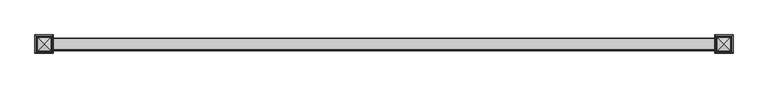
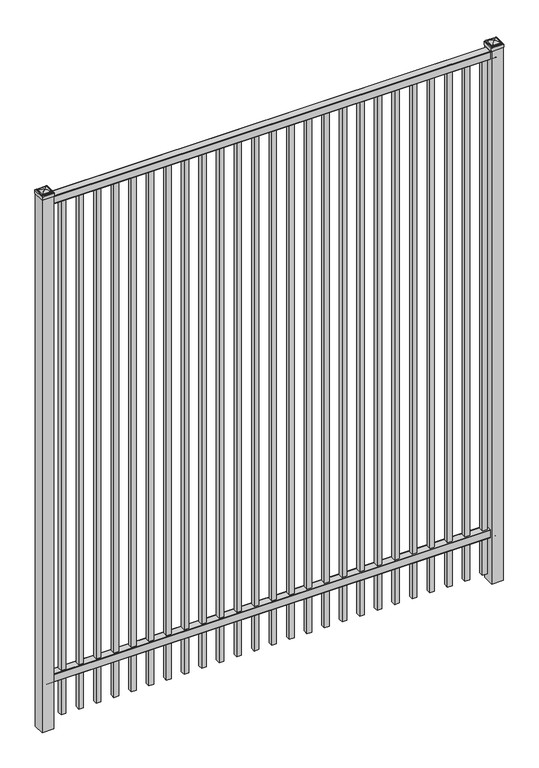
"""IFC4 building model written with IfcOpenShell, lengths in millimetres: railing geometry."""

import ifcopenshell
import ifcopenshell.guid

model = None  # the IFC model being written
_history = None  # IfcOwnerHistory: only IFC2X3 demands one
_inside = {}  # id of a spatial element -> (the spatial element, [elements in it])
_under = {}  # id of a project, library or spatial element -> (it, [spatial elements below it])
_declared = {}  # id of a project -> (the project, [libraries it declares])
_typed = {}  # id of a type object -> (the type object, [elements of that type])
_made_of = {}  # id of a material, layer set ... -> (it, [elements and type objects made of it])


def new_model(schema):
    """Start an empty IFC model of exactly this schema.

    Asked for "IFC4X3", IfcOpenShell would pick the latest addendum, in which some entities
    have other attributes; the version numbers below select the first issue.
    IFC2X3 requires an IfcOwnerHistory on every rooted entity: one is made here for all.
    """
    global model, _history
    if schema == "IFC4X3":
        model = ifcopenshell.file(schema_version=(4, 3, 0, 0))
    else:
        model = ifcopenshell.file(schema=schema)
    _inside.clear()
    _under.clear()
    _declared.clear()
    _typed.clear()
    _made_of.clear()
    _history = None
    if model.schema == "IFC2X3":
        org = make("IfcOrganization", Name="unknown")
        user = make(
            "IfcPersonAndOrganization",
            ThePerson=make("IfcPerson", FamilyName="unknown"),
            TheOrganization=org,
        )
        app = make(
            "IfcApplication",
            ApplicationDeveloper=org,
            Version="unknown",
            ApplicationFullName="unknown",
            ApplicationIdentifier="unknown",
        )
        _history = make(
            "IfcOwnerHistory",
            OwningUser=user,
            OwningApplication=app,
            ChangeAction="ADDED",
            CreationDate=0,
        )
    return model


def make(cls, **values):
    """One entity of the class cls with the attributes given. An attribute that is None is left unset."""
    return model.create_entity(
        cls, **{name: value for name, value in values.items() if value is not None}
    )


def rooted(cls, **values):
    """An entity with a GlobalId (a new one), such as an element, a storey or a relation."""
    return make(cls, GlobalId=ifcopenshell.guid.new(), OwnerHistory=_history, **values)


def si_unit(unit_type, name, prefix=None):
    """IfcSIUnit, for example si_unit("LENGTHUNIT", "METRE", prefix="MILLI")."""
    return make("IfcSIUnit", UnitType=unit_type, Prefix=prefix, Name=name)


def assignment(units):
    """IfcUnitAssignment: the units of a project."""
    return None if units is None else make("IfcUnitAssignment", Units=units)


def point(xyz):
    """IfcCartesianPoint."""
    return None if xyz is None else make("IfcCartesianPoint", Coordinates=xyz)


def direction(xyz):
    """IfcDirection."""
    return None if xyz is None else make("IfcDirection", DirectionRatios=xyz)


def frame(location, z_axis=None, x_axis=None):
    """IfcAxis2Placement3D, a coordinate frame: its origin and axes. An axis left out is left unset."""
    return make(
        "IfcAxis2Placement3D",
        Location=point(location),
        Axis=direction(z_axis),
        RefDirection=direction(x_axis),
    )


def frame_2d(location, x_axis=None):
    """IfcAxis2Placement2D, a coordinate frame in the plane: its origin and x axis."""
    return make(
        "IfcAxis2Placement2D", Location=point(location), RefDirection=direction(x_axis)
    )


def origin():
    """The frame at (0, 0, 0) with its axes left unset."""
    return frame((0.0, 0.0, 0.0))


def origin_with_axes():
    """The frame at (0, 0, 0) with the z axis (0, 0, 1) and the x axis (1, 0, 0) written out."""
    return frame((0.0, 0.0, 0.0), z_axis=(0.0, 0.0, 1.0), x_axis=(1.0, 0.0, 0.0))


def place(relative_to, where):
    """IfcLocalPlacement: puts the frame where relative to a parent placement (None: the world)."""
    return make(
        "IfcLocalPlacement", PlacementRelTo=relative_to, RelativePlacement=where
    )


def context(
    kind, dimensions, precision=None, world=None, true_north=None, identifier=None
):
    """IfcGeometricRepresentationContext, for example the 3D "Model" context."""
    return make(
        "IfcGeometricRepresentationContext",
        ContextIdentifier=identifier,
        ContextType=kind,
        CoordinateSpaceDimension=dimensions,
        Precision=precision,
        WorldCoordinateSystem=world,
        TrueNorth=true_north,
    )


def project(units=None, contexts=None):
    """IfcProject with its units and contexts."""
    return rooted(
        "IfcProject",
        Name="project",
        RepresentationContexts=contexts,
        UnitsInContext=assignment(units),
    )


def spatial(cls, under=None, at=None, **own):
    """A site, building, storey or space (cls), placed at a placement, below another one or the project."""
    s = rooted(cls, ObjectPlacement=at, **own)
    if under is not None:
        _under.setdefault(under.id(), (under, []))[1].append(s)
    return s


def polyline(points):
    """IfcPolyline through the points."""
    return make("IfcPolyline", Points=[point(p) for p in points])


def circle_curve(where, radius):
    """IfcCircle in the frame where."""
    return make("IfcCircle", Position=where, Radius=radius)


def ellipse_curve(where, semi_axis1, semi_axis2):
    """IfcEllipse in the frame where."""
    return make(
        "IfcEllipse", Position=where, SemiAxis1=semi_axis1, SemiAxis2=semi_axis2
    )


def trimmed(basis, trim1, trim2, sense, master):
    """IfcTrimmedCurve: the piece of a basis curve between two trims."""
    return make(
        "IfcTrimmedCurve",
        BasisCurve=basis,
        Trim1=trim1,
        Trim2=trim2,
        SenseAgreement=sense,
        MasterRepresentation=master,
    )


def segment(curve, same_sense, transition):
    """IfcCompositeCurveSegment."""
    return make(
        "IfcCompositeCurveSegment",
        Transition=transition,
        SameSense=same_sense,
        ParentCurve=curve,
    )


def composite_curve(segments, self_intersect=None):
    """IfcCompositeCurve: segments joined end to end."""
    return make("IfcCompositeCurve", Segments=segments, SelfIntersect=self_intersect)


def outline(outer, holes=None, kind="AREA"):
    """IfcArbitraryClosedProfileDef: a profile drawn as a closed curve; with holes, ...WithVoids."""
    if holes is None:
        return make("IfcArbitraryClosedProfileDef", ProfileType=kind, OuterCurve=outer)
    return make(
        "IfcArbitraryProfileDefWithVoids",
        ProfileType=kind,
        OuterCurve=outer,
        InnerCurves=holes,
    )


def extrude(swept, where, along, depth):
    """IfcExtrudedAreaSolid: the profile swept, set in the frame where, extruded along a direction by depth."""
    return make(
        "IfcExtrudedAreaSolid",
        SweptArea=swept,
        Position=where,
        ExtrudedDirection=direction(along),
        Depth=depth,
    )


def shape(context_of_items, identifier, shape_type, items):
    """IfcShapeRepresentation: the items that make up one representation, for example the "Body"."""
    return make(
        "IfcShapeRepresentation",
        ContextOfItems=context_of_items,
        RepresentationIdentifier=identifier,
        RepresentationType=shape_type,
        Items=items,
    )


def source(mapping_origin, context_of_items, identifier, shape_type, items):
    """IfcRepresentationMap: a shape defined once, which mapped items show again and again."""
    return make(
        "IfcRepresentationMap",
        MappingOrigin=mapping_origin,
        MappedRepresentation=shape(context_of_items, identifier, shape_type, items),
    )


def transform(
    local_origin,
    x_axis=None,
    y_axis=None,
    z_axis=None,
    scale=None,
    scale2=None,
    scale3=None,
    uniform=True,
):
    """IfcCartesianTransformationOperator3D, or its non-uniform kind. x_axis, y_axis, z_axis: its Axis1, 2, 3."""
    if uniform:
        return make(
            "IfcCartesianTransformationOperator3D",
            Axis1=direction(x_axis),
            Axis2=direction(y_axis),
            LocalOrigin=point(local_origin),
            Scale=scale,
            Axis3=direction(z_axis),
        )
    return make(
        "IfcCartesianTransformationOperator3DnonUniform",
        Axis1=direction(x_axis),
        Axis2=direction(y_axis),
        LocalOrigin=point(local_origin),
        Scale=scale,
        Axis3=direction(z_axis),
        Scale2=scale2,
        Scale3=scale3,
    )


def mapped(mapping_source, mapping_target):
    """IfcMappedItem: shows the shape of a source again, moved by a transform."""
    return make(
        "IfcMappedItem", MappingSource=mapping_source, MappingTarget=mapping_target
    )


def made_of(thing, what):
    """Note that an element or type object is made of a material, layer set ...; save() writes the relation."""
    if what is not None:
        _made_of.setdefault(what.id(), (what, []))[1].append(thing)
    return thing


def element(
    cls,
    number,
    at=None,
    inside=None,
    cuts=None,
    type_object=None,
    material=None,
    context=None,
    identifier="Body",
    shape_type=None,
    held_by="IfcProductDefinitionShape",
    body=None,
    shapes=None,
    **own,
):
    """One element of the class cls, such as IfcWall. Its Tag is "e" and its number.

    at: its placement. inside: the storey or other place that contains it. cuts: it is an
    opening in that element (IfcRelVoidsElement). A single representation is given by context,
    identifier, shape_type and body (its items); several are given by shapes. held_by: the class
    of the entity that holds the representations. save() writes the other relations.
    """
    e = rooted(cls, Tag="e%d" % number, ObjectPlacement=at, **own)
    if body is not None:
        shapes = [shape(context, identifier, shape_type, body)]
    if shapes is not None:
        e.Representation = make(held_by, Representations=shapes)
    if inside is not None:
        _inside.setdefault(inside.id(), (inside, []))[1].append(e)
    if cuts is not None:
        rooted(
            "IfcRelVoidsElement", RelatingBuildingElement=cuts, RelatedOpeningElement=e
        )
    if type_object is not None:
        _typed.setdefault(type_object.id(), (type_object, []))[1].append(e)
    return made_of(e, material)


def aggregate(whole, parts):
    """IfcRelAggregates: a whole, such as a stair, and the parts it consists of."""
    return rooted("IfcRelAggregates", RelatingObject=whole, RelatedObjects=parts)


def save(model, path):
    """Write the relations noted so far, then the file.

    IfcRelAggregates (storeys below a building ...), IfcRelContainedInSpatialStructure (elements
    in a storey), IfcRelDefinesByType, IfcRelAssociatesMaterial and IfcRelDeclares: one each for
    every whole, place, type object, material and project.
    """
    for whole, parts in _under.values():
        aggregate(whole, parts)
    for where, things in _inside.values():
        rooted(
            "IfcRelContainedInSpatialStructure",
            RelatedElements=things,
            RelatingStructure=where,
        )
    for kind, things in _typed.values():
        rooted("IfcRelDefinesByType", RelatedObjects=things, RelatingType=kind)
    for what, things in _made_of.values():
        rooted("IfcRelAssociatesMaterial", RelatedObjects=things, RelatingMaterial=what)
    for by, libraries in _declared.values():
        rooted("IfcRelDeclares", RelatingContext=by, RelatedDefinitions=libraries)
    model.write(path)


def plane_surface(at):
    """IfcPlane: the flat surface through the origin of the frame at, square to its z axis."""
    return make("IfcPlane", Position=at)


def cylinder_surface(at, radius):
    """IfcCylindricalSurface: all points at the distance radius from the z axis of the frame at."""
    return make("IfcCylindricalSurface", Position=at, Radius=radius)


def advanced_brep(points, edges, surfaces, faces):
    """IfcAdvancedBrep: a solid bounded by faces that lie on surfaces and meet in shared edges.

    An edge is (start, end): straight between two places in points (the first is 0);
    or (start, end, curve); or (start, end, curve, False) where it runs against its curve.
    A face is (place in surfaces, loops), or (place, loops, False) where it looks against
    its surface's normal. A loop lists edges by number (the first is 1), with a minus sign
    where the edge is run from its end to its start. The first loop is the outer one.
    """
    corners = [point(p) for p in points]
    vertices = [make("IfcVertexPoint", VertexGeometry=c) for c in corners]
    made = []
    for start, end, *more in edges:
        made.append(
            make(
                "IfcEdgeCurve",
                EdgeStart=vertices[start],
                EdgeEnd=vertices[end],
                EdgeGeometry=more[0] if more else make("IfcPolyline", Points=[corners[start], corners[end]]),
                SameSense=more[1] if len(more) > 1 else True,
            )
        )
    hull = []
    for where, loops, *sense in faces:
        bounds = []
        for j, loop in enumerate(loops):
            ring = [make("IfcOrientedEdge", EdgeElement=made[abs(k) - 1], Orientation=k > 0) for k in loop]
            bounds.append(
                make(
                    "IfcFaceOuterBound" if j == 0 else "IfcFaceBound",
                    Bound=make("IfcEdgeLoop", EdgeList=ring),
                    Orientation=True,
                )
            )
        hull.append(make("IfcAdvancedFace", Bounds=bounds, FaceSurface=surfaces[where], SameSense=sense[0] if sense else True))
    return make("IfcAdvancedBrep", Outer=make("IfcClosedShell", CfsFaces=hull))


def railing_9d7c3945(model_context):
    return source(origin(), model_context, "Body", "SolidModel", [
        extrude(outline(composite_curve([segment(polyline([(4253.9139761, 304.8), (4291.969541, 304.8)]), True, "CONTINUOUS"), segment(trimmed(circle_curve(frame_2d((4291.969541, 301.625)), 3.175), [point((4291.969541, 304.8))], [point((4295.144541, 301.625))], False, "CARTESIAN"), True, "CONTINUOUS"), segment(polyline([(4295.144541, 301.625), (4295.144541, 262.1439893)]), True, "CONTINUOUS"), segment(trimmed(circle_curve(frame_2d((4293.3505518, 262.1439893)), 1.7939893), [point((4295.144541, 262.1439893))], [point((4293.3505518, 260.35))], False, "CARTESIAN"), True, "CONTINUOUS"), segment(polyline([(4293.3505518, 260.35), (4290.7590713, 260.35)]), True, "CONTINUOUS"), segment(trimmed(circle_curve(frame_2d((4290.7590713, 262.1359375)), 1.7859375), [point((4290.7590713, 260.35))], [point((4288.9755813, 262.0424688))], False, "CARTESIAN"), True, "CONTINUOUS"), segment(polyline([(4288.9755813, 262.0424688), (4287.4025867, 292.0569942), (4258.4364954, 292.0569942), (4256.8635007, 262.0424688)]), True, "CONTINUOUS"), segment(trimmed(circle_curve(frame_2d((4255.0800108, 262.1359375)), 1.7859375), [point((4256.8635007, 262.0424688))], [point((4255.0800108, 260.35))], False, "CARTESIAN"), True, "CONTINUOUS"), segment(polyline([(4255.0800108, 260.35), (4252.4804785, 260.35)]), True, "CONTINUOUS"), segment(trimmed(circle_curve(frame_2d((4252.4804785, 262.1359375)), 1.7859375), [point((4252.4804785, 260.35))], [point((4250.694541, 262.1359375))], False, "CARTESIAN"), True, "CONTINUOUS"), segment(polyline([(4250.694541, 262.1359375), (4250.694541, 301.5805649)]), True, "CONTINUOUS"), segment(trimmed(circle_curve(frame_2d((4253.9139761, 301.5805649)), 3.2194351), [point((4250.694541, 301.5805649))], [point((4253.9139761, 304.8))], False, "CARTESIAN"), True, "CONTINUOUS")], self_intersect=False)), frame((-15337.0649936, 0.0, 0.0), z_axis=(1.0, 0.0, 0.0), x_axis=(0.0, 1.0, 0.0)), (0.0, 0.0, 1.0), 2438.4),
        extrude(outline(composite_curve([segment(polyline([(4253.9139761, 3048.0), (4291.969541, 3048.0)]), True, "CONTINUOUS"), segment(trimmed(circle_curve(frame_2d((4291.969541, 3044.825)), 3.175), [point((4291.969541, 3048.0))], [point((4295.144541, 3044.825))], False, "CARTESIAN"), True, "CONTINUOUS"), segment(polyline([(4295.144541, 3044.825), (4295.144541, 3005.3439893)]), True, "CONTINUOUS"), segment(trimmed(circle_curve(frame_2d((4293.3505518, 3005.3439893)), 1.7939893), [point((4295.144541, 3005.3439893))], [point((4293.3505518, 3003.55))], False, "CARTESIAN"), True, "CONTINUOUS"), segment(polyline([(4293.3505518, 3003.55), (4290.7590713, 3003.55)]), True, "CONTINUOUS"), segment(trimmed(circle_curve(frame_2d((4290.7590713, 3005.3359375)), 1.7859375), [point((4290.7590713, 3003.55))], [point((4288.9755813, 3005.2424688))], False, "CARTESIAN"), True, "CONTINUOUS"), segment(polyline([(4288.9755813, 3005.2424688), (4287.4025867, 3035.2569942), (4258.4364954, 3035.2569942), (4256.8635007, 3005.2424688)]), True, "CONTINUOUS"), segment(trimmed(circle_curve(frame_2d((4255.0800108, 3005.3359375)), 1.7859375), [point((4256.8635007, 3005.2424688))], [point((4255.0800108, 3003.55))], False, "CARTESIAN"), True, "CONTINUOUS"), segment(polyline([(4255.0800108, 3003.55), (4252.4804785, 3003.55)]), True, "CONTINUOUS"), segment(trimmed(circle_curve(frame_2d((4252.4804785, 3005.3359375)), 1.7859375), [point((4252.4804785, 3003.55))], [point((4250.694541, 3005.3359375))], False, "CARTESIAN"), True, "CONTINUOUS"), segment(polyline([(4250.694541, 3005.3359375), (4250.694541, 3044.7805649)]), True, "CONTINUOUS"), segment(trimmed(circle_curve(frame_2d((4253.9139761, 3044.7805649)), 3.2194351), [point((4250.694541, 3044.7805649))], [point((4253.9139761, 3048.0))], False, "CARTESIAN"), True, "CONTINUOUS")], self_intersect=False)), frame((-15337.0649936, 0.0, 0.0), z_axis=(1.0, 0.0, 0.0), x_axis=(0.0, 1.0, 0.0)), (0.0, 0.0, 1.0), 2438.4),
        extrude(outline(polyline([(0.0, -2952.75), (0.0, 0.0), (25.4, 0.0), (25.4, -2952.75), (0.0, -2952.75)])), frame((-12943.1149864, 4285.619541, 3003.55), z_axis=(-1.0, 0.0, 1.4053472163766405e-09), x_axis=(0.0, -1.0, 0.0)), (0.0, 0.0, 1.0), 25.4),
        extrude(outline(polyline([(0.0, -2952.75), (0.0, 0.0), (25.4, 0.0), (25.4, -2952.75), (0.0, -2952.75)])), frame((-13038.3649864, 4285.619541, 3003.55), z_axis=(-1.0, 0.0, 1.4053472163766405e-09), x_axis=(0.0, -1.0, 0.0)), (0.0, 0.0, 1.0), 25.4),
        extrude(outline(polyline([(0.0, -2952.75), (0.0, 0.0), (25.4, 0.0), (25.4, -2952.75), (0.0, -2952.75)])), frame((-13133.6149864, 4285.619541, 3003.55), z_axis=(-1.0, 0.0, 1.4053472163766405e-09), x_axis=(0.0, -1.0, 0.0)), (0.0, 0.0, 1.0), 25.4),
        extrude(outline(polyline([(0.0, -2952.75), (0.0, 0.0), (25.4, 0.0), (25.4, -2952.75), (0.0, -2952.75)])), frame((-13228.8649864, 4285.619541, 3003.55), z_axis=(-1.0, 0.0, 1.4053472163766405e-09), x_axis=(0.0, -1.0, 0.0)), (0.0, 0.0, 1.0), 25.4),
        extrude(outline(polyline([(0.0, -2952.75), (0.0, 0.0), (25.4, 0.0), (25.4, -2952.75), (0.0, -2952.75)])), frame((-13324.1149864, 4285.619541, 3003.55), z_axis=(-1.0, 0.0, 1.4053472163766405e-09), x_axis=(0.0, -1.0, 0.0)), (0.0, 0.0, 1.0), 25.4),
        extrude(outline(polyline([(0.0, -2952.75), (0.0, 0.0), (25.4, 0.0), (25.4, -2952.75), (0.0, -2952.75)])), frame((-13419.3649864, 4285.619541, 3003.55), z_axis=(-1.0, 0.0, 1.4053472163766405e-09), x_axis=(0.0, -1.0, 0.0)), (0.0, 0.0, 1.0), 25.4),
        extrude(outline(polyline([(0.0, -2952.75), (0.0, 0.0), (25.4, 0.0), (25.4, -2952.75), (0.0, -2952.75)])), frame((-13514.6149864, 4285.619541, 3003.55), z_axis=(-1.0, 0.0, 1.4053472163766405e-09), x_axis=(0.0, -1.0, 0.0)), (0.0, 0.0, 1.0), 25.4),
        extrude(outline(polyline([(0.0, -2952.75), (0.0, 0.0), (25.4, 0.0), (25.4, -2952.75), (0.0, -2952.75)])), frame((-13609.8649864, 4285.619541, 3003.55), z_axis=(-1.0, 0.0, 1.4053472163766405e-09), x_axis=(0.0, -1.0, 0.0)), (0.0, 0.0, 1.0), 25.4),
        extrude(outline(polyline([(0.0, -2952.75), (0.0, 0.0), (25.4, 0.0), (25.4, -2952.75), (0.0, -2952.75)])), frame((-13705.1149864, 4285.619541, 3003.55), z_axis=(-1.0, 0.0, 1.4053472163766405e-09), x_axis=(0.0, -1.0, 0.0)), (0.0, 0.0, 1.0), 25.4),
        extrude(outline(polyline([(0.0, -2952.75), (0.0, 0.0), (25.4, 0.0), (25.4, -2952.75), (0.0, -2952.75)])), frame((-13800.3649864, 4285.619541, 3003.55), z_axis=(-1.0, 0.0, 1.4053472163766405e-09), x_axis=(0.0, -1.0, 0.0)), (0.0, 0.0, 1.0), 25.4),
        extrude(outline(polyline([(0.0, -2952.75), (0.0, 0.0), (25.4, 0.0), (25.4, -2952.75), (0.0, -2952.75)])), frame((-13895.6149864, 4285.619541, 3003.55), z_axis=(-1.0, 0.0, 1.4053472163766405e-09), x_axis=(0.0, -1.0, 0.0)), (0.0, 0.0, 1.0), 25.4),
        extrude(outline(polyline([(0.0, -2952.75), (0.0, 0.0), (25.4, 0.0), (25.4, -2952.75), (0.0, -2952.75)])), frame((-13990.8649864, 4285.619541, 3003.55), z_axis=(-1.0, 0.0, 1.4053472163766405e-09), x_axis=(0.0, -1.0, 0.0)), (0.0, 0.0, 1.0), 25.4),
        extrude(outline(polyline([(0.0, -2952.75), (0.0, 0.0), (25.4, 0.0), (25.4, -2952.75), (0.0, -2952.75)])), frame((-14086.1149864, 4285.619541, 3003.55), z_axis=(-1.0, 0.0, 1.4053472163766405e-09), x_axis=(0.0, -1.0, 0.0)), (0.0, 0.0, 1.0), 25.4),
        extrude(outline(polyline([(0.0, -2952.75), (0.0, 0.0), (25.4, 0.0), (25.4, -2952.75), (0.0, -2952.75)])), frame((-14181.3649864, 4285.619541, 3003.55), z_axis=(-1.0, 0.0, 1.4053472163766405e-09), x_axis=(0.0, -1.0, 0.0)), (0.0, 0.0, 1.0), 25.4),
        extrude(outline(polyline([(0.0, -2952.75), (0.0, 0.0), (25.4, 0.0), (25.4, -2952.75), (0.0, -2952.75)])), frame((-14276.6149864, 4285.619541, 3003.55), z_axis=(-1.0, 0.0, 1.4053472163766405e-09), x_axis=(0.0, -1.0, 0.0)), (0.0, 0.0, 1.0), 25.4),
        extrude(outline(polyline([(0.0, -2952.75), (0.0, 0.0), (25.4, 0.0), (25.4, -2952.75), (0.0, -2952.75)])), frame((-14371.8649864, 4285.619541, 3003.55), z_axis=(-1.0, 0.0, 1.4053472163766405e-09), x_axis=(0.0, -1.0, 0.0)), (0.0, 0.0, 1.0), 25.4),
        extrude(outline(polyline([(0.0, -2952.75), (0.0, 0.0), (25.4, 0.0), (25.4, -2952.75), (0.0, -2952.75)])), frame((-14467.1149864, 4285.619541, 3003.55), z_axis=(-1.0, 0.0, 1.4053472163766405e-09), x_axis=(0.0, -1.0, 0.0)), (0.0, 0.0, 1.0), 25.4),
        extrude(outline(polyline([(0.0, -2952.75), (0.0, 0.0), (25.4, 0.0), (25.4, -2952.75), (0.0, -2952.75)])), frame((-14562.3649864, 4285.619541, 3003.55), z_axis=(-1.0, 0.0, 1.4053472163766405e-09), x_axis=(0.0, -1.0, 0.0)), (0.0, 0.0, 1.0), 25.4),
        extrude(outline(polyline([(0.0, -2952.75), (0.0, 0.0), (25.4, 0.0), (25.4, -2952.75), (0.0, -2952.75)])), frame((-14657.6149864, 4285.619541, 3003.55), z_axis=(-1.0, 0.0, 1.4053472163766405e-09), x_axis=(0.0, -1.0, 0.0)), (0.0, 0.0, 1.0), 25.4),
        extrude(outline(polyline([(0.0, -2952.75), (0.0, 0.0), (25.4, 0.0), (25.4, -2952.75), (0.0, -2952.75)])), frame((-14752.8649864, 4285.619541, 3003.55), z_axis=(-1.0, 0.0, 1.4053472163766405e-09), x_axis=(0.0, -1.0, 0.0)), (0.0, 0.0, 1.0), 25.4),
        extrude(outline(polyline([(0.0, -2952.75), (0.0, 0.0), (25.4, 0.0), (25.4, -2952.75), (0.0, -2952.75)])), frame((-14848.1149864, 4285.619541, 3003.55), z_axis=(-1.0, 0.0, 1.4053472163766405e-09), x_axis=(0.0, -1.0, 0.0)), (0.0, 0.0, 1.0), 25.4),
        extrude(outline(polyline([(0.0, -2952.75), (0.0, 0.0), (25.4, 0.0), (25.4, -2952.75), (0.0, -2952.75)])), frame((-14943.3649864, 4285.619541, 3003.55), z_axis=(-1.0, 0.0, 1.4053472163766405e-09), x_axis=(0.0, -1.0, 0.0)), (0.0, 0.0, 1.0), 25.4),
        extrude(outline(polyline([(0.0, -2952.75), (0.0, 0.0), (25.4, 0.0), (25.4, -2952.75), (0.0, -2952.75)])), frame((-15038.6149864, 4285.619541, 3003.55), z_axis=(-1.0, 0.0, 1.4053472163766405e-09), x_axis=(0.0, -1.0, 0.0)), (0.0, 0.0, 1.0), 25.4),
        extrude(outline(polyline([(0.0, -2952.75), (0.0, 0.0), (25.4, 0.0), (25.4, -2952.75), (0.0, -2952.75)])), frame((-15133.8649864, 4285.619541, 3003.55), z_axis=(-1.0, 0.0, 1.4053472163766405e-09), x_axis=(0.0, -1.0, 0.0)), (0.0, 0.0, 1.0), 25.4),
        extrude(outline(polyline([(0.0, -2952.75), (0.0, 0.0), (25.4, 0.0), (25.4, -2952.75), (0.0, -2952.75)])), frame((-15229.1149864, 4285.619541, 3003.55), z_axis=(-1.0, 0.0, 1.4053472163766405e-09), x_axis=(0.0, -1.0, 0.0)), (0.0, 0.0, 1.0), 25.4),
        extrude(outline(polyline([(-12866.9149936, 4304.669541), (-12866.9149936, 4241.169541), (-12930.4149936, 4241.169541), (-12930.4149936, 4304.669541), (-12866.9149936, 4304.669541)])), origin_with_axes(), (0.0, 0.0, 1.0), 3055.9375),
        advanced_brep(
        [(-12932.0024936, 4306.257041, 3074.19375), (-12932.0024936, 4306.257041, 3055.9375), (-12932.0024936, 4239.582041, 3055.9375), (-12932.0024936, 4239.582041, 3074.19375), (-12929.6212436, 4303.875791, 3076.575), (-12929.6212436, 4241.963291, 3076.575), (-12927.2399936, 4301.494541, 3078.95625), (-12927.2399936, 4301.494541, 3076.575), (-12927.2399936, 4244.344541, 3076.575), (-12927.2399936, 4244.344541, 3078.95625), (-12924.8587436, 4299.113291, 3081.3375), (-12924.8587436, 4246.725791, 3081.3375), (-12898.6649936, 4272.919541, 3087.6875), (-12922.4774936, 4296.732041, 3081.3375), (-12922.4774936, 4249.107041, 3081.3375), (-12865.3274936, 4239.582041, 3055.9375), (-12865.3274936, 4239.582041, 3074.19375), (-12867.7087436, 4241.963291, 3076.575), (-12870.0899936, 4244.344541, 3076.575), (-12870.0899936, 4244.344541, 3078.95625), (-12872.4712436, 4246.725791, 3081.3375), (-12874.8524936, 4249.107041, 3081.3375), (-12865.3274936, 4306.257041, 3055.9375), (-12865.3274936, 4306.257041, 3074.19375), (-12867.7087436, 4303.875791, 3076.575), (-12870.0899936, 4301.494541, 3076.575), (-12870.0899936, 4301.494541, 3078.95625), (-12872.4712436, 4299.113291, 3081.3375), (-12874.8524936, 4296.732041, 3081.3375)],
        [
            (0, 1),
            (1, 2),
            (2, 3),
            (3, 0),
            (4, 0, ellipse_curve(frame((-12929.6212436, 4303.875791, 3074.19375), z_axis=(-0.70710678118655, -0.7071067811865449, 0.0), x_axis=(-0.7071067811865448, 0.7071067811865501, 0.0)), 3.367596, 2.38125)),
            (3, 5, ellipse_curve(frame((-12929.6212436, 4241.963291, 3074.19375), z_axis=(-0.7071067811865449, 0.70710678118655, 0.0), x_axis=(0.7071067811865499, 0.707106781186545, 0.0)), 3.367596, 2.38125)),
            (5, 4),
            (6, 7),
            (7, 8),
            (8, 9),
            (9, 6),
            (10, 6, ellipse_curve(frame((-12924.8587436, 4299.113291, 3078.95625), z_axis=(-0.70710678118655, -0.7071067811865449, 0.0), x_axis=(-0.7071067811865448, 0.7071067811865501, 0.0)), 3.367596, 2.38125)),
            (9, 11, ellipse_curve(frame((-12924.8587436, 4246.725791, 3078.95625), z_axis=(-0.7071067811865449, 0.70710678118655, 0.0), x_axis=(0.7071067811865499, 0.707106781186545, 0.0)), 3.367596, 2.38125)),
            (11, 10),
            (12, 13, ellipse_curve(frame((-12898.6649936, 4272.919541, 3039.8640625), z_axis=(-0.70710678118655, -0.7071067811865449, 0.0), x_axis=(-0.7071067811865448, 0.7071067811865501, 0.0)), 67.6325539, 47.8234375)),
            (13, 14),
            (14, 12, ellipse_curve(frame((-12898.6649936, 4272.919541, 3039.8640625), z_axis=(-0.7071067811865449, 0.70710678118655, 0.0), x_axis=(0.7071067811865499, 0.707106781186545, 0.0)), 67.6325539, 47.8234375)),
            (2, 15),
            (15, 16),
            (16, 3),
            (16, 17, ellipse_curve(frame((-12867.7087436, 4241.963291, 3074.19375), z_axis=(-0.70710678118655, -0.707106781186545, 0.0), x_axis=(-0.707106781186545, 0.70710678118655, 0.0)), 3.367596, 2.38125)),
            (17, 5),
            (8, 18),
            (18, 19),
            (19, 9),
            (19, 20, ellipse_curve(frame((-12872.4712436, 4246.725791, 3078.95625), z_axis=(-0.70710678118655, -0.707106781186545, 0.0), x_axis=(-0.707106781186545, 0.70710678118655, 0.0)), 3.367596, 2.38125)),
            (20, 11),
            (14, 21),
            (21, 12, ellipse_curve(frame((-12898.6649936, 4272.919541, 3039.8640625), z_axis=(-0.70710678118655, -0.707106781186545, 0.0), x_axis=(-0.707106781186545, 0.70710678118655, 0.0)), 67.6325539, 47.8234375)),
            (15, 22),
            (22, 23),
            (23, 16),
            (23, 24, ellipse_curve(frame((-12867.7087436, 4303.875791, 3074.19375), z_axis=(0.707106781186545, -0.7071067811865499, 0.0), x_axis=(-0.7071067811865497, -0.7071067811865452, 0.0)), 3.367596, 2.38125)),
            (24, 17),
            (18, 25),
            (25, 26),
            (26, 19),
            (26, 27, ellipse_curve(frame((-12872.4712436, 4299.113291, 3078.95625), z_axis=(0.707106781186545, -0.7071067811865499, 0.0), x_axis=(-0.7071067811865497, -0.7071067811865452, 0.0)), 3.367596, 2.38125)),
            (27, 20),
            (21, 28),
            (28, 12, ellipse_curve(frame((-12898.6649936, 4272.919541, 3039.8640625), z_axis=(0.707106781186545, -0.7071067811865499, 0.0), x_axis=(-0.7071067811865497, -0.7071067811865452, 0.0)), 67.6325539, 47.8234375)),
            (22, 1),
            (0, 23),
            (4, 24),
            (7, 25),
            (6, 26),
            (10, 27),
            (13, 28),
        ],
        [
            plane_surface(frame((-12932.0024936, 4306.257041, 3055.9375), z_axis=(-1.0, 0.0, 0.0), x_axis=(0.0, -1.0, 0.0))),
            cylinder_surface(frame((-12929.6212436, 4304.669541, 3074.19375), z_axis=(0.0, 1.0, 0.0), x_axis=(1.0, 0.0, 0.0)), 2.38125),
            plane_surface(frame((-12927.2399936, 4301.494541, 3076.575), z_axis=(-1.0, 0.0, 0.0), x_axis=(0.0, -1.0, 0.0))),
            cylinder_surface(frame((-12924.8587436, 4304.669541, 3078.95625), z_axis=(0.0, 1.0, 0.0), x_axis=(1.0, 0.0, 0.0)), 2.38125),
            cylinder_surface(frame((-12898.6649936, 4304.669541, 3039.8640625), z_axis=(0.0, 1.0, 0.0), x_axis=(1.0, 0.0, 0.0)), 47.8234375),
            plane_surface(frame((-12932.0024936, 4239.582041, 3055.9375), z_axis=(0.0, -1.0, 0.0), x_axis=(1.0, 0.0, 0.0))),
            cylinder_surface(frame((-12930.4149936, 4241.963291, 3074.19375), z_axis=(-1.0, 0.0, 0.0), x_axis=(0.0, 1.0, 0.0)), 2.38125),
            plane_surface(frame((-12927.2399936, 4244.344541, 3076.575), z_axis=(0.0, -1.0, 0.0), x_axis=(1.0, 0.0, 0.0))),
            cylinder_surface(frame((-12930.4149936, 4246.725791, 3078.95625), z_axis=(-1.0, 0.0, 0.0), x_axis=(0.0, 1.0, 0.0)), 2.38125),
            cylinder_surface(frame((-12930.4149936, 4272.919541, 3039.8640625), z_axis=(-1.0, 0.0, 0.0), x_axis=(0.0, 1.0, 0.0)), 47.8234375),
            plane_surface(frame((-12865.3274936, 4239.582041, 3055.9375), z_axis=(1.0, 0.0, 0.0), x_axis=(0.0, 1.0, 0.0))),
            cylinder_surface(frame((-12867.7087436, 4241.169541, 3074.19375), z_axis=(0.0, -1.0, 0.0), x_axis=(-1.0, 0.0, 0.0)), 2.38125),
            plane_surface(frame((-12870.0899936, 4244.344541, 3076.575), z_axis=(1.0, 0.0, 0.0), x_axis=(0.0, 1.0, 0.0))),
            cylinder_surface(frame((-12872.4712436, 4241.169541, 3078.95625), z_axis=(0.0, -1.0, 0.0), x_axis=(-1.0, 0.0, 0.0)), 2.38125),
            cylinder_surface(frame((-12898.6649936, 4241.169541, 3039.8640625), z_axis=(0.0, -1.0, 0.0), x_axis=(-1.0, 0.0, 0.0)), 47.8234375),
            plane_surface(frame((-12865.3274936, 4306.257041, 3055.9375), z_axis=(0.0, 1.0, 0.0), x_axis=(-1.0, 0.0, 0.0))),
            cylinder_surface(frame((-12866.9149936, 4303.875791, 3074.19375), z_axis=(1.0, 0.0, 0.0), x_axis=(0.0, -1.0, 0.0)), 2.38125),
            plane_surface(frame((-12867.7087436, 4303.875791, 3076.575), z_axis=(0.0, 0.0, 1.0), x_axis=(-1.0, 0.0, 0.0))),
            plane_surface(frame((-12870.0899936, 4301.494541, 3076.575), z_axis=(0.0, 1.0, 0.0), x_axis=(-1.0, 0.0, 0.0))),
            cylinder_surface(frame((-12866.9149936, 4299.113291, 3078.95625), z_axis=(1.0, 0.0, 0.0), x_axis=(0.0, -1.0, 0.0)), 2.38125),
            plane_surface(frame((-12872.4712436, 4299.113291, 3081.3375), z_axis=(0.0, 0.0, 1.0), x_axis=(-1.0, 0.0, 0.0))),
            cylinder_surface(frame((-12866.9149936, 4272.919541, 3039.8640625), z_axis=(1.0, 0.0, 0.0), x_axis=(0.0, -1.0, 0.0)), 47.8234375),
            plane_surface(frame((-12898.6649936, 4272.919541, 3055.9375), z_axis=(0.0, 0.0, -1.0), x_axis=(-1.0, 0.0, 0.0))),
        ],
        [
            (0, [[1, 2, 3, 4]]),
            (1, [[5, -4, 6, 7]]),
            (2, [[8, 9, 10, 11]]),
            (3, [[12, -11, 13, 14]]),
            (4, [[15, 16, 17]]),
            (5, [[-3, 18, 19, 20]]),
            (6, [[-6, -20, 21, 22]]),
            (7, [[-10, 23, 24, 25]]),
            (8, [[-13, -25, 26, 27]]),
            (9, [[-17, 28, 29]]),
            (10, [[-19, 30, 31, 32]]),
            (11, [[-21, -32, 33, 34]]),
            (12, [[-24, 35, 36, 37]]),
            (13, [[-26, -37, 38, 39]]),
            (14, [[-29, 40, 41]]),
            (15, [[-31, 42, -1, 43]]),
            (16, [[-33, -43, -5, 44]]),
            (17, [[-22, -34, -44, -7], [45, -35, -23, -9]]),
            (18, [[-36, -45, -8, 46]]),
            (19, [[-38, -46, -12, 47]]),
            (20, [[-27, -39, -47, -14], [48, -40, -28, -16]]),
            (21, [[-41, -48, -15]]),
            (22, [[-42, -30, -18, -2]]),
        ],
    ),
        extrude(outline(polyline([(-15305.3149936, 4304.669541), (-15305.3149936, 4241.169541), (-15368.8149936, 4241.169541), (-15368.8149936, 4304.669541), (-15305.3149936, 4304.669541)])), origin_with_axes(), (0.0, 0.0, 1.0), 3055.9375),
        advanced_brep(
        [(-15370.4024936, 4306.257041, 3074.19375), (-15370.4024936, 4306.257041, 3055.9375), (-15370.4024936, 4239.582041, 3055.9375), (-15370.4024936, 4239.582041, 3074.19375), (-15368.0212436, 4303.875791, 3076.575), (-15368.0212436, 4241.963291, 3076.575), (-15365.6399936, 4301.494541, 3078.95625), (-15365.6399936, 4301.494541, 3076.575), (-15365.6399936, 4244.344541, 3076.575), (-15365.6399936, 4244.344541, 3078.95625), (-15363.2587436, 4299.113291, 3081.3375), (-15363.2587436, 4246.725791, 3081.3375), (-15337.0649936, 4272.919541, 3087.6875), (-15360.8774936, 4296.732041, 3081.3375), (-15360.8774936, 4249.107041, 3081.3375), (-15303.7274936, 4239.582041, 3055.9375), (-15303.7274936, 4239.582041, 3074.19375), (-15306.1087436, 4241.963291, 3076.575), (-15308.4899936, 4244.344541, 3076.575), (-15308.4899936, 4244.344541, 3078.95625), (-15310.8712436, 4246.725791, 3081.3375), (-15313.2524936, 4249.107041, 3081.3375), (-15303.7274936, 4306.257041, 3055.9375), (-15303.7274936, 4306.257041, 3074.19375), (-15306.1087436, 4303.875791, 3076.575), (-15308.4899936, 4301.494541, 3076.575), (-15308.4899936, 4301.494541, 3078.95625), (-15310.8712436, 4299.113291, 3081.3375), (-15313.2524936, 4296.732041, 3081.3375)],
        [
            (0, 1),
            (1, 2),
            (2, 3),
            (3, 0),
            (4, 0, ellipse_curve(frame((-15368.0212436, 4303.875791, 3074.19375), z_axis=(-0.70710678118655, -0.7071067811865449, 0.0), x_axis=(-0.7071067811865448, 0.7071067811865501, 0.0)), 3.367596, 2.38125)),
            (3, 5, ellipse_curve(frame((-15368.0212436, 4241.963291, 3074.19375), z_axis=(-0.7071067811865449, 0.70710678118655, 0.0), x_axis=(0.7071067811865499, 0.707106781186545, 0.0)), 3.367596, 2.38125)),
            (5, 4),
            (6, 7),
            (7, 8),
            (8, 9),
            (9, 6),
            (10, 6, ellipse_curve(frame((-15363.2587436, 4299.113291, 3078.95625), z_axis=(-0.70710678118655, -0.7071067811865449, 0.0), x_axis=(-0.7071067811865448, 0.7071067811865501, 0.0)), 3.367596, 2.38125)),
            (9, 11, ellipse_curve(frame((-15363.2587436, 4246.725791, 3078.95625), z_axis=(-0.7071067811865449, 0.70710678118655, 0.0), x_axis=(0.7071067811865499, 0.707106781186545, 0.0)), 3.367596, 2.38125)),
            (11, 10),
            (12, 13, ellipse_curve(frame((-15337.0649936, 4272.919541, 3039.8640625), z_axis=(-0.70710678118655, -0.7071067811865449, 0.0), x_axis=(-0.7071067811865448, 0.7071067811865501, 0.0)), 67.6325539, 47.8234375)),
            (13, 14),
            (14, 12, ellipse_curve(frame((-15337.0649936, 4272.919541, 3039.8640625), z_axis=(-0.7071067811865449, 0.70710678118655, 0.0), x_axis=(0.7071067811865499, 0.707106781186545, 0.0)), 67.6325539, 47.8234375)),
            (2, 15),
            (15, 16),
            (16, 3),
            (16, 17, ellipse_curve(frame((-15306.1087436, 4241.963291, 3074.19375), z_axis=(-0.70710678118655, -0.707106781186545, 0.0), x_axis=(-0.707106781186545, 0.70710678118655, 0.0)), 3.367596, 2.38125)),
            (17, 5),
            (8, 18),
            (18, 19),
            (19, 9),
            (19, 20, ellipse_curve(frame((-15310.8712436, 4246.725791, 3078.95625), z_axis=(-0.70710678118655, -0.707106781186545, 0.0), x_axis=(-0.707106781186545, 0.70710678118655, 0.0)), 3.367596, 2.38125)),
            (20, 11),
            (14, 21),
            (21, 12, ellipse_curve(frame((-15337.0649936, 4272.919541, 3039.8640625), z_axis=(-0.70710678118655, -0.707106781186545, 0.0), x_axis=(-0.707106781186545, 0.70710678118655, 0.0)), 67.6325539, 47.8234375)),
            (15, 22),
            (22, 23),
            (23, 16),
            (23, 24, ellipse_curve(frame((-15306.1087436, 4303.875791, 3074.19375), z_axis=(0.707106781186545, -0.7071067811865499, 0.0), x_axis=(-0.7071067811865497, -0.7071067811865452, 0.0)), 3.367596, 2.38125)),
            (24, 17),
            (18, 25),
            (25, 26),
            (26, 19),
            (26, 27, ellipse_curve(frame((-15310.8712436, 4299.113291, 3078.95625), z_axis=(0.707106781186545, -0.7071067811865499, 0.0), x_axis=(-0.7071067811865497, -0.7071067811865452, 0.0)), 3.367596, 2.38125)),
            (27, 20),
            (21, 28),
            (28, 12, ellipse_curve(frame((-15337.0649936, 4272.919541, 3039.8640625), z_axis=(0.707106781186545, -0.7071067811865499, 0.0), x_axis=(-0.7071067811865497, -0.7071067811865452, 0.0)), 67.6325539, 47.8234375)),
            (22, 1),
            (0, 23),
            (4, 24),
            (7, 25),
            (6, 26),
            (10, 27),
            (13, 28),
        ],
        [
            plane_surface(frame((-15370.4024936, 4306.257041, 3055.9375), z_axis=(-1.0, 0.0, 0.0), x_axis=(0.0, -1.0, 0.0))),
            cylinder_surface(frame((-15368.0212436, 4304.669541, 3074.19375), z_axis=(0.0, 1.0, 0.0), x_axis=(1.0, 0.0, 0.0)), 2.38125),
            plane_surface(frame((-15365.6399936, 4301.494541, 3076.575), z_axis=(-1.0, 0.0, 0.0), x_axis=(0.0, -1.0, 0.0))),
            cylinder_surface(frame((-15363.2587436, 4304.669541, 3078.95625), z_axis=(0.0, 1.0, 0.0), x_axis=(1.0, 0.0, 0.0)), 2.38125),
            cylinder_surface(frame((-15337.0649936, 4304.669541, 3039.8640625), z_axis=(0.0, 1.0, 0.0), x_axis=(1.0, 0.0, 0.0)), 47.8234375),
            plane_surface(frame((-15370.4024936, 4239.582041, 3055.9375), z_axis=(0.0, -1.0, 0.0), x_axis=(1.0, 0.0, 0.0))),
            cylinder_surface(frame((-15368.8149936, 4241.963291, 3074.19375), z_axis=(-1.0, 0.0, 0.0), x_axis=(0.0, 1.0, 0.0)), 2.38125),
            plane_surface(frame((-15365.6399936, 4244.344541, 3076.575), z_axis=(0.0, -1.0, 0.0), x_axis=(1.0, 0.0, 0.0))),
            cylinder_surface(frame((-15368.8149936, 4246.725791, 3078.95625), z_axis=(-1.0, 0.0, 0.0), x_axis=(0.0, 1.0, 0.0)), 2.38125),
            cylinder_surface(frame((-15368.8149936, 4272.919541, 3039.8640625), z_axis=(-1.0, 0.0, 0.0), x_axis=(0.0, 1.0, 0.0)), 47.8234375),
            plane_surface(frame((-15303.7274936, 4239.582041, 3055.9375), z_axis=(1.0, 0.0, 0.0), x_axis=(0.0, 1.0, 0.0))),
            cylinder_surface(frame((-15306.1087436, 4241.169541, 3074.19375), z_axis=(0.0, -1.0, 0.0), x_axis=(-1.0, 0.0, 0.0)), 2.38125),
            plane_surface(frame((-15308.4899936, 4244.344541, 3076.575), z_axis=(1.0, 0.0, 0.0), x_axis=(0.0, 1.0, 0.0))),
            cylinder_surface(frame((-15310.8712436, 4241.169541, 3078.95625), z_axis=(0.0, -1.0, 0.0), x_axis=(-1.0, 0.0, 0.0)), 2.38125),
            cylinder_surface(frame((-15337.0649936, 4241.169541, 3039.8640625), z_axis=(0.0, -1.0, 0.0), x_axis=(-1.0, 0.0, 0.0)), 47.8234375),
            plane_surface(frame((-15303.7274936, 4306.257041, 3055.9375), z_axis=(0.0, 1.0, 0.0), x_axis=(-1.0, 0.0, 0.0))),
            cylinder_surface(frame((-15305.3149936, 4303.875791, 3074.19375), z_axis=(1.0, 0.0, 0.0), x_axis=(0.0, -1.0, 0.0)), 2.38125),
            plane_surface(frame((-15306.1087436, 4303.875791, 3076.575), z_axis=(0.0, 0.0, 1.0), x_axis=(-1.0, 0.0, 0.0))),
            plane_surface(frame((-15308.4899936, 4301.494541, 3076.575), z_axis=(0.0, 1.0, 0.0), x_axis=(-1.0, 0.0, 0.0))),
            cylinder_surface(frame((-15305.3149936, 4299.113291, 3078.95625), z_axis=(1.0, 0.0, 0.0), x_axis=(0.0, -1.0, 0.0)), 2.38125),
            plane_surface(frame((-15310.8712436, 4299.113291, 3081.3375), z_axis=(0.0, 0.0, 1.0), x_axis=(-1.0, 0.0, 0.0))),
            cylinder_surface(frame((-15305.3149936, 4272.919541, 3039.8640625), z_axis=(1.0, 0.0, 0.0), x_axis=(0.0, -1.0, 0.0)), 47.8234375),
            plane_surface(frame((-15337.0649936, 4272.919541, 3055.9375), z_axis=(0.0, 0.0, -1.0), x_axis=(-1.0, 0.0, 0.0))),
        ],
        [
            (0, [[1, 2, 3, 4]]),
            (1, [[5, -4, 6, 7]]),
            (2, [[8, 9, 10, 11]]),
            (3, [[12, -11, 13, 14]]),
            (4, [[15, 16, 17]]),
            (5, [[-3, 18, 19, 20]]),
            (6, [[-6, -20, 21, 22]]),
            (7, [[-10, 23, 24, 25]]),
            (8, [[-13, -25, 26, 27]]),
            (9, [[-17, 28, 29]]),
            (10, [[-19, 30, 31, 32]]),
            (11, [[-21, -32, 33, 34]]),
            (12, [[-24, 35, 36, 37]]),
            (13, [[-26, -37, 38, 39]]),
            (14, [[-29, 40, 41]]),
            (15, [[-31, 42, -1, 43]]),
            (16, [[-33, -43, -5, 44]]),
            (17, [[-22, -34, -44, -7], [45, -35, -23, -9]]),
            (18, [[-36, -45, -8, 46]]),
            (19, [[-38, -46, -12, 47]]),
            (20, [[-27, -39, -47, -14], [48, -40, -28, -16]]),
            (21, [[-41, -48, -15]]),
            (22, [[-42, -30, -18, -2]]),
        ],
    ),
    ])


if __name__ == "__main__":
    model = new_model("IFC4")
    model_context = context("Model", 3, world=origin())
    ifc_project = project(units=[si_unit("LENGTHUNIT", "METRE", prefix="MILLI")], contexts=[model_context])
    site = spatial("IfcSite", under=ifc_project)
    building = spatial("IfcBuilding", under=site)
    placement = place(None, origin())
    railing_shape = railing_9d7c3945(model_context)
    element("IfcRailing", 1, at=placement, inside=building, context=model_context, shape_type="MappedRepresentation", body=[
        mapped(railing_shape, transform((0.0, 0.0, 0.0), x_axis=(1.0, 0.0, 0.0), y_axis=(0.0, 1.0, 0.0), z_axis=(0.0, 0.0, 1.0))),
    ])
    save(model, "model.ifc")
